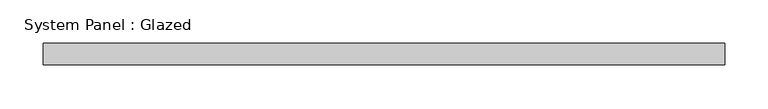
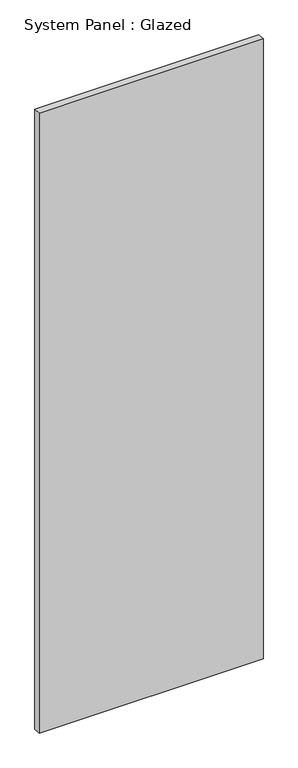
"""IFC4 building model written with IfcOpenShell, lengths in millimetres: plate geometry, System Panel : Glazed."""

import ifcopenshell
import ifcopenshell.guid

model = None  # the IFC model being written
_history = None  # IfcOwnerHistory: only IFC2X3 demands one
_inside = {}  # id of a spatial element -> (the spatial element, [elements in it])
_under = {}  # id of a project, library or spatial element -> (it, [spatial elements below it])
_declared = {}  # id of a project -> (the project, [libraries it declares])
_typed = {}  # id of a type object -> (the type object, [elements of that type])
_made_of = {}  # id of a material, layer set ... -> (it, [elements and type objects made of it])


def new_model(schema):
    """Start an empty IFC model of exactly this schema.

    Asked for "IFC4X3", IfcOpenShell would pick the latest addendum, in which some entities
    have other attributes; the version numbers below select the first issue.
    IFC2X3 requires an IfcOwnerHistory on every rooted entity: one is made here for all.
    """
    global model, _history
    if schema == "IFC4X3":
        model = ifcopenshell.file(schema_version=(4, 3, 0, 0))
    else:
        model = ifcopenshell.file(schema=schema)
    _inside.clear()
    _under.clear()
    _declared.clear()
    _typed.clear()
    _made_of.clear()
    _history = None
    if model.schema == "IFC2X3":
        org = make("IfcOrganization", Name="unknown")
        user = make(
            "IfcPersonAndOrganization",
            ThePerson=make("IfcPerson", FamilyName="unknown"),
            TheOrganization=org,
        )
        app = make(
            "IfcApplication",
            ApplicationDeveloper=org,
            Version="unknown",
            ApplicationFullName="unknown",
            ApplicationIdentifier="unknown",
        )
        _history = make(
            "IfcOwnerHistory",
            OwningUser=user,
            OwningApplication=app,
            ChangeAction="ADDED",
            CreationDate=0,
        )
    return model


def make(cls, **values):
    """One entity of the class cls with the attributes given. An attribute that is None is left unset."""
    return model.create_entity(
        cls, **{name: value for name, value in values.items() if value is not None}
    )


def rooted(cls, **values):
    """An entity with a GlobalId (a new one), such as an element, a storey or a relation."""
    return make(cls, GlobalId=ifcopenshell.guid.new(), OwnerHistory=_history, **values)


def si_unit(unit_type, name, prefix=None):
    """IfcSIUnit, for example si_unit("LENGTHUNIT", "METRE", prefix="MILLI")."""
    return make("IfcSIUnit", UnitType=unit_type, Prefix=prefix, Name=name)


def assignment(units):
    """IfcUnitAssignment: the units of a project."""
    return None if units is None else make("IfcUnitAssignment", Units=units)


def point(xyz):
    """IfcCartesianPoint."""
    return None if xyz is None else make("IfcCartesianPoint", Coordinates=xyz)


def direction(xyz):
    """IfcDirection."""
    return None if xyz is None else make("IfcDirection", DirectionRatios=xyz)


def frame(location, z_axis=None, x_axis=None):
    """IfcAxis2Placement3D, a coordinate frame: its origin and axes. An axis left out is left unset."""
    return make(
        "IfcAxis2Placement3D",
        Location=point(location),
        Axis=direction(z_axis),
        RefDirection=direction(x_axis),
    )


def origin():
    """The frame at (0, 0, 0) with its axes left unset."""
    return frame((0.0, 0.0, 0.0))


def origin_with_axes():
    """The frame at (0, 0, 0) with the z axis (0, 0, 1) and the x axis (1, 0, 0) written out."""
    return frame((0.0, 0.0, 0.0), z_axis=(0.0, 0.0, 1.0), x_axis=(1.0, 0.0, 0.0))


def place(relative_to, where):
    """IfcLocalPlacement: puts the frame where relative to a parent placement (None: the world)."""
    return make(
        "IfcLocalPlacement", PlacementRelTo=relative_to, RelativePlacement=where
    )


def context(
    kind, dimensions, precision=None, world=None, true_north=None, identifier=None
):
    """IfcGeometricRepresentationContext, for example the 3D "Model" context."""
    return make(
        "IfcGeometricRepresentationContext",
        ContextIdentifier=identifier,
        ContextType=kind,
        CoordinateSpaceDimension=dimensions,
        Precision=precision,
        WorldCoordinateSystem=world,
        TrueNorth=true_north,
    )


def project(units=None, contexts=None):
    """IfcProject with its units and contexts."""
    return rooted(
        "IfcProject",
        Name="project",
        RepresentationContexts=contexts,
        UnitsInContext=assignment(units),
    )


def spatial(cls, under=None, at=None, **own):
    """A site, building, storey or space (cls), placed at a placement, below another one or the project."""
    s = rooted(cls, ObjectPlacement=at, **own)
    if under is not None:
        _under.setdefault(under.id(), (under, []))[1].append(s)
    return s


def polyline(points):
    """IfcPolyline through the points."""
    return make("IfcPolyline", Points=[point(p) for p in points])


def outline(outer, holes=None, kind="AREA"):
    """IfcArbitraryClosedProfileDef: a profile drawn as a closed curve; with holes, ...WithVoids."""
    if holes is None:
        return make("IfcArbitraryClosedProfileDef", ProfileType=kind, OuterCurve=outer)
    return make(
        "IfcArbitraryProfileDefWithVoids",
        ProfileType=kind,
        OuterCurve=outer,
        InnerCurves=holes,
    )


def extrude(swept, where, along, depth):
    """IfcExtrudedAreaSolid: the profile swept, set in the frame where, extruded along a direction by depth."""
    return make(
        "IfcExtrudedAreaSolid",
        SweptArea=swept,
        Position=where,
        ExtrudedDirection=direction(along),
        Depth=depth,
    )


def shape(context_of_items, identifier, shape_type, items):
    """IfcShapeRepresentation: the items that make up one representation, for example the "Body"."""
    return make(
        "IfcShapeRepresentation",
        ContextOfItems=context_of_items,
        RepresentationIdentifier=identifier,
        RepresentationType=shape_type,
        Items=items,
    )


def source(mapping_origin, context_of_items, identifier, shape_type, items):
    """IfcRepresentationMap: a shape defined once, which mapped items show again and again."""
    return make(
        "IfcRepresentationMap",
        MappingOrigin=mapping_origin,
        MappedRepresentation=shape(context_of_items, identifier, shape_type, items),
    )


def transform(
    local_origin,
    x_axis=None,
    y_axis=None,
    z_axis=None,
    scale=None,
    scale2=None,
    scale3=None,
    uniform=True,
):
    """IfcCartesianTransformationOperator3D, or its non-uniform kind. x_axis, y_axis, z_axis: its Axis1, 2, 3."""
    if uniform:
        return make(
            "IfcCartesianTransformationOperator3D",
            Axis1=direction(x_axis),
            Axis2=direction(y_axis),
            LocalOrigin=point(local_origin),
            Scale=scale,
            Axis3=direction(z_axis),
        )
    return make(
        "IfcCartesianTransformationOperator3DnonUniform",
        Axis1=direction(x_axis),
        Axis2=direction(y_axis),
        LocalOrigin=point(local_origin),
        Scale=scale,
        Axis3=direction(z_axis),
        Scale2=scale2,
        Scale3=scale3,
    )


def mapped(mapping_source, mapping_target):
    """IfcMappedItem: shows the shape of a source again, moved by a transform."""
    return make(
        "IfcMappedItem", MappingSource=mapping_source, MappingTarget=mapping_target
    )


def made_of(thing, what):
    """Note that an element or type object is made of a material, layer set ...; save() writes the relation."""
    if what is not None:
        _made_of.setdefault(what.id(), (what, []))[1].append(thing)
    return thing


def element(
    cls,
    number,
    at=None,
    inside=None,
    cuts=None,
    type_object=None,
    material=None,
    context=None,
    identifier="Body",
    shape_type=None,
    held_by="IfcProductDefinitionShape",
    body=None,
    shapes=None,
    **own,
):
    """One element of the class cls, such as IfcWall. Its Tag is "e" and its number.

    at: its placement. inside: the storey or other place that contains it. cuts: it is an
    opening in that element (IfcRelVoidsElement). A single representation is given by context,
    identifier, shape_type and body (its items); several are given by shapes. held_by: the class
    of the entity that holds the representations. save() writes the other relations.
    """
    e = rooted(cls, Tag="e%d" % number, ObjectPlacement=at, **own)
    if body is not None:
        shapes = [shape(context, identifier, shape_type, body)]
    if shapes is not None:
        e.Representation = make(held_by, Representations=shapes)
    if inside is not None:
        _inside.setdefault(inside.id(), (inside, []))[1].append(e)
    if cuts is not None:
        rooted(
            "IfcRelVoidsElement", RelatingBuildingElement=cuts, RelatedOpeningElement=e
        )
    if type_object is not None:
        _typed.setdefault(type_object.id(), (type_object, []))[1].append(e)
    return made_of(e, material)


def aggregate(whole, parts):
    """IfcRelAggregates: a whole, such as a stair, and the parts it consists of."""
    return rooted("IfcRelAggregates", RelatingObject=whole, RelatedObjects=parts)


def save(model, path):
    """Write the relations noted so far, then the file.

    IfcRelAggregates (storeys below a building ...), IfcRelContainedInSpatialStructure (elements
    in a storey), IfcRelDefinesByType, IfcRelAssociatesMaterial and IfcRelDeclares: one each for
    every whole, place, type object, material and project.
    """
    for whole, parts in _under.values():
        aggregate(whole, parts)
    for where, things in _inside.values():
        rooted(
            "IfcRelContainedInSpatialStructure",
            RelatedElements=things,
            RelatingStructure=where,
        )
    for kind, things in _typed.values():
        rooted("IfcRelDefinesByType", RelatedObjects=things, RelatingType=kind)
    for what, things in _made_of.values():
        rooted("IfcRelAssociatesMaterial", RelatedObjects=things, RelatingMaterial=what)
    for by, libraries in _declared.values():
        rooted("IfcRelDeclares", RelatingContext=by, RelatedDefinitions=libraries)
    model.write(path)


def system_panel_glazed_dd2e2523(model_context):
    return source(origin(), model_context, "Body", "SweptSolid", [
        extrude(outline(polyline([(393.1786952, 24.5), (-393.1786952, 24.5), (-393.1786952, 49.5), (393.1786952, 49.5), (393.1786952, 24.5)])), origin_with_axes(), (0.0, 0.0, 1.0), 2300.0),
    ])


if __name__ == "__main__":
    model = new_model("IFC4")
    model_context = context("Model", 3, world=origin())
    ifc_project = project(units=[si_unit("LENGTHUNIT", "METRE", prefix="MILLI")], contexts=[model_context])
    site = spatial("IfcSite", under=ifc_project)
    building = spatial("IfcBuilding", under=site)
    placement = place(None, origin())
    system_panel_glazed_shape = system_panel_glazed_dd2e2523(model_context)
    element("IfcPlate", 1, ObjectType="System Panel : Glazed", at=placement, inside=building, context=model_context, shape_type="MappedRepresentation", body=[
        mapped(system_panel_glazed_shape, transform((0.0, 0.0, 0.0), x_axis=(1.0, 0.0, 0.0), y_axis=(0.0, 1.0, 0.0), z_axis=(0.0, 0.0, 1.0))),
    ])
    save(model, "model.ifc")
